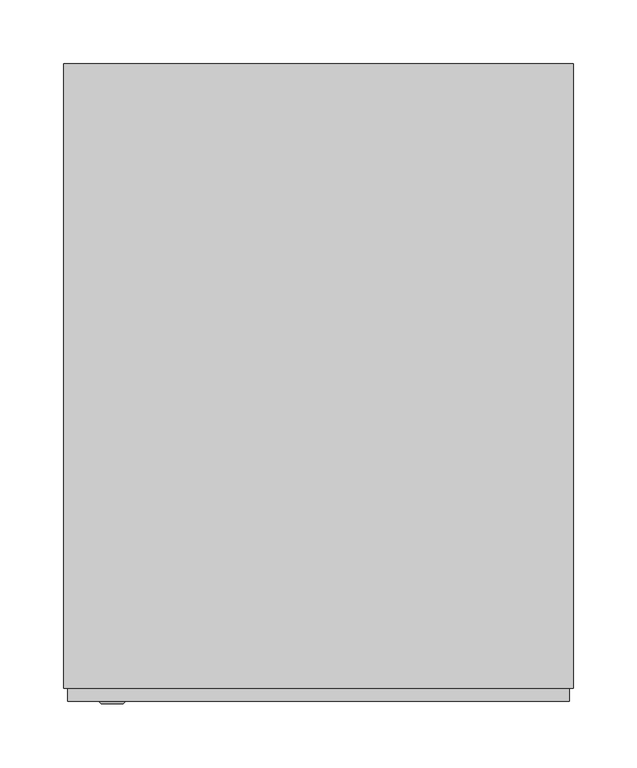
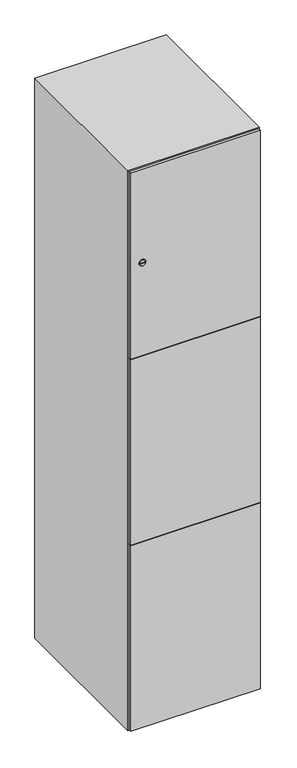
"""IFC4 building model written with IfcOpenShell, lengths in millimetres: furniture geometry."""

from ifc_helpers import new_model, si_unit, point, frame, frame_2d, origin, place, context, project, spatial, polyline, circle_curve, trimmed, segment, composite_curve, outline, extrude, faceted_brep, source, transform, mapped, element, save
from ifc_brep_helpers import plane_surface, revolved_surface, advanced_brep


def furniture_a5b89654(model_context):
    return source(origin(), model_context, "Body", "SolidModel", [
        extrude(outline(composite_curve([segment(trimmed(circle_curve(frame_2d((1598.0, -188.7989466)), 7.0), [point((1605.0, -188.7989466))], [point((1591.0, -188.7989466))], False, "CARTESIAN"), True, "CONTINUOUS"), segment(polyline([(1591.0, -188.7989466), (1591.0, -160.7989466)]), True, "CONTINUOUS"), segment(trimmed(circle_curve(frame_2d((1598.0, -160.7989466)), 7.0), [point((1591.0, -160.7989466))], [point((1605.0, -160.7989466))], False, "CARTESIAN"), True, "CONTINUOUS"), segment(polyline([(1605.0, -160.7989466), (1605.0, -188.7989466)]), True, "CONTINUOUS")], self_intersect=False)), frame((0.0, -245.0, 0.0), z_axis=(0.0, 1.0, 0.0), x_axis=(0.0, 0.0, 1.0)), (0.0, 0.0, 1.0), 2.0),
        advanced_brep(
        [(-153.5, -257.2, 1598.0), (-170.5, -257.2, 1598.0), (-167.0, -257.2, 1596.75), (-167.0, -257.2, 1599.25), (-157.0, -257.2, 1599.25), (-157.0, -257.2, 1596.75), (-151.5, -255.0, 1598.0), (-172.5, -255.0, 1598.0), (-167.0, -255.0, 1599.25), (-167.0, -255.0, 1596.75), (-157.0, -255.0, 1596.75), (-157.0, -255.0, 1599.25)],
        [
            (0, 1, circle_curve(frame((-162.0, -257.2, 1598.0), z_axis=(0.0, -1.0, 0.0), x_axis=(1.0, 0.0, 0.0)), 8.5)),
            (1, 0, circle_curve(frame((-162.0, -257.2, 1598.0), z_axis=(0.0, -1.0, 0.0), x_axis=(-1.0, 0.0, 0.0)), 8.5)),
            (2, 3),
            (3, 4),
            (4, 5),
            (5, 2),
            (6, 7, circle_curve(frame((-162.0, -255.0, 1598.0), z_axis=(0.0, 1.0, 0.0), x_axis=(-1.0, 0.0, 0.0)), 10.5)),
            (7, 6, circle_curve(frame((-162.0, -255.0, 1598.0), z_axis=(0.0, 1.0, 0.0), x_axis=(1.0, 0.0, 0.0)), 10.5)),
            (8, 9),
            (9, 10),
            (10, 11),
            (11, 8),
            (0, 6),
            (7, 1),
            (8, 3),
            (2, 9),
            (11, 4),
            (10, 5),
        ],
        [
            plane_surface(frame((-162.0, -257.2, 1598.0), z_axis=(0.0, -1.0, 0.0), x_axis=(0.0, 0.0, 1.0))),
            plane_surface(frame((-162.0, -255.0, 1598.0), z_axis=(0.0, 1.0, 0.0), x_axis=(0.0, 0.0, 1.0))),
            revolved_surface(polyline([(-153.5, -257.2, 1598.0), (-151.5, -255.0, 1598.0)]), (-162.0, -266.55, 1598.0), (0.0, 1.0, 0.0)),
            revolved_surface(polyline([(-170.5, -257.2, 1598.0), (-172.5, -255.0, 1598.0)]), (-162.0, -266.55, 1598.0), (0.0, 1.0, 0.0)),
            plane_surface(frame((-167.0, -255.0, 1596.75), z_axis=(1.0, 0.0, 0.0), x_axis=(0.0, -1.0, 0.0))),
            plane_surface(frame((-167.0, -255.0, 1599.25), z_axis=(0.0, 0.0, -1.0), x_axis=(0.0, -1.0, 0.0))),
            plane_surface(frame((-157.0, -255.0, 1599.25), z_axis=(-1.0, 0.0, 0.0), x_axis=(0.0, -1.0, 0.0))),
            plane_surface(frame((-157.0, -255.0, 1596.75), z_axis=(0.0, 0.0, 1.0), x_axis=(0.0, -1.0, 0.0))),
        ],
        [
            (0, [[1, 2], [3, 4, 5, 6]]),
            (1, [[7, 8], [9, 10, 11, 12]]),
            (2, [[-1, 13, -8, 14]]),
            (3, [[-2, -14, -7, -13]]),
            (4, [[15, -3, 16, -9]]),
            (5, [[-15, -12, 17, -4]]),
            (6, [[-17, -11, 18, -5]]),
            (7, [[-16, -6, -18, -10]]),
        ],
    ),
        extrude(outline(polyline([(197.0, -245.0), (197.0, -255.0), (-197.0, -255.0), (-197.0, -245.0), (197.0, -245.0)])), frame((0.0, 0.0, 701.5), z_axis=(0.0, 0.0, 1.0), x_axis=(1.0, 0.0, 0.0)), (0.0, 0.0, 1.0), 597.0),
        extrude(outline(polyline([(-197.0, -255.0), (-197.0, -245.0), (197.0, -245.0), (197.0, -255.0), (-197.0, -255.0)])), frame((0.0, 0.0, 1299.5), z_axis=(0.0, 0.0, 1.0), x_axis=(1.0, 0.0, 0.0)), (0.0, 0.0, 1.0), 597.5),
        extrude(outline(polyline([(197.0, -245.0), (197.0, -255.0), (-197.0, -255.0), (-197.0, -245.0), (197.0, -245.0)])), frame((0.0, 0.0, 103.0), z_axis=(0.0, 0.0, 1.0), x_axis=(1.0, 0.0, 0.0)), (0.0, 0.0, 1.0), 597.5),
        extrude(outline(polyline([(190.0, 241.0), (190.0, -235.0), (-190.0, -235.0), (-190.0, 241.0), (190.0, 241.0)])), frame((0.0, 0.0, 1291.6666667), z_axis=(0.0, 0.0, 1.0), x_axis=(1.0, 0.0, 0.0)), (0.0, 0.0, 1.0), 10.0),
        extrude(outline(polyline([(-190.0, 241.0), (190.0, 241.0), (190.0, -235.0), (-190.0, -235.0), (-190.0, 241.0)])), frame((0.0, 0.0, 698.3333333), z_axis=(0.0, 0.0, 1.0), x_axis=(1.0, 0.0, 0.0)), (0.0, 0.0, 1.0), 10.0),
        faceted_brep([(200.0, -245.0, 100.0), (200.0, -245.0, 1900.0), (-200.0, -245.0, 1900.0), (-200.0, -245.0, 100.0), (190.0, -245.0, 1890.0), (190.0, -245.0, 110.0), (-190.0, -245.0, 110.0), (-190.0, -245.0, 1890.0), (200.0, 245.0, 100.0), (-200.0, 245.0, 100.0), (200.0, 245.0, 1900.0), (-200.0, 245.0, 1900.0), (190.0, 241.0, 1890.0), (190.0, 241.0, 110.0), (-200.0, 245.0, 1890.0), (-190.0, 241.0, 1890.0), (-190.0, 241.0, 110.0)], [[[0, 1, 2, 3], [4, 5, 6, 7]], [[8, 0, 3, 9]], [[1, 0, 8, 10]], [[1, 10, 11, 2]], [[4, 12, 13, 5]], [[9, 3, 2, 11, 14]], [[10, 8, 9, 14, 11]], [[12, 15, 16, 13]], [[15, 7, 6, 16]], [[4, 7, 15, 12]], [[6, 5, 13, 16]]]),
    ])


if __name__ == "__main__":
    model = new_model("IFC4")
    model_context = context("Model", 3, world=origin())
    ifc_project = project(units=[si_unit("LENGTHUNIT", "METRE", prefix="MILLI")], contexts=[model_context])
    site = spatial("IfcSite", under=ifc_project)
    building = spatial("IfcBuilding", under=site)
    placement = place(None, origin())
    furniture_shape = furniture_a5b89654(model_context)
    element("IfcFurniture", 1, at=placement, inside=building, context=model_context, shape_type="MappedRepresentation", body=[
        mapped(furniture_shape, transform((0.0, 0.0, 0.0), x_axis=(1.0, 0.0, 0.0), y_axis=(0.0, 1.0, 0.0), z_axis=(0.0, 0.0, 1.0))),
    ])
    save(model, "model.ifc")
